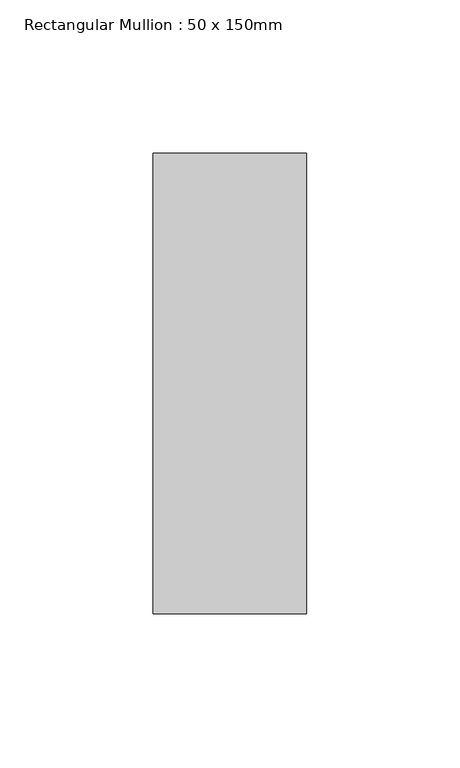
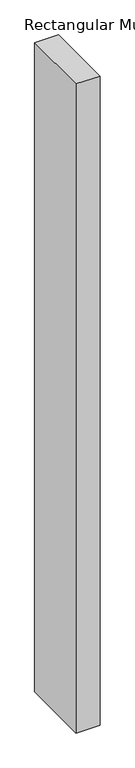
"""IFC4 building model written with IfcOpenShell, lengths in millimetres: member geometry, Rectangular Mullion : 50 x 150mm."""

from ifc_helpers import new_model, si_unit, frame, origin, place, context, project, spatial, polyline, outline, extrude, source, transform, mapped, element, save


def rectangular_mullion_50_x_150mm_3614e406(model_context):
    return source(origin(), model_context, "Body", "SweptSolid", [
        extrude(outline(polyline([(25.0, 75.0), (25.0, -75.0), (-25.0, -75.0), (-25.0, 75.0), (25.0, 75.0)])), frame((0.0, 0.0, -1435.9104546), z_axis=(0.0, 0.0, 1.0), x_axis=(1.0, 0.0, 0.0)), (0.0, 0.0, 1.0), 1435.9104546),
    ])


if __name__ == "__main__":
    model = new_model("IFC4")
    model_context = context("Model", 3, world=origin())
    ifc_project = project(units=[si_unit("LENGTHUNIT", "METRE", prefix="MILLI")], contexts=[model_context])
    site = spatial("IfcSite", under=ifc_project)
    building = spatial("IfcBuilding", under=site)
    placement = place(None, origin())
    rectangular_mullion_50_x_150mm_shape = rectangular_mullion_50_x_150mm_3614e406(model_context)
    element("IfcMember", 1, ObjectType="Rectangular Mullion : 50 x 150mm", at=placement, inside=building, context=model_context, shape_type="MappedRepresentation", body=[
        mapped(rectangular_mullion_50_x_150mm_shape, transform((0.0, 0.0, 0.0), x_axis=(1.0, 0.0, 0.0), y_axis=(0.0, 1.0, 0.0), z_axis=(0.0, 0.0, 1.0))),
    ])
    save(model, "model.ifc")
